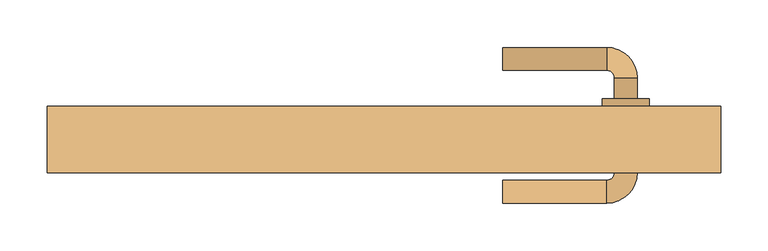
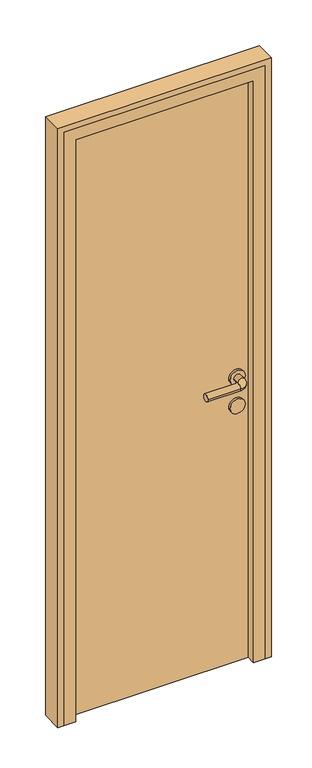
"""IFC4 building model written with IfcOpenShell, lengths in millimetres: door geometry."""

from ifc_helpers import new_model, si_unit, point, frame, frame_2d, origin, origin_with_axes, place, context, project, spatial, polyline, circle_curve, ellipse_curve, trimmed, segment, composite_curve, outline, extrude, faceted_brep, source, transform, mapped, element, save
from ifc_brep_helpers import plane_surface, cylinder_surface, revolved_surface, advanced_brep


def door_0601fba5(model_context):
    return source(origin(), model_context, "Body", "SolidModel", [
        advanced_brep(
        [(125.0, 367.0, 1000.0), (125.0, 343.0, 1000.0), (235.0, 343.0, 1000.0), (235.0, 367.0, 1000.0), (243.0, 335.0, 1000.0), (267.0, 335.0, 1000.0), (267.0, 235.0, 1000.0), (267.0, 257.0, 1000.0), (243.0, 257.0, 1000.0), (243.0, 235.0, 1000.0), (243.0, 313.0, 1000.0), (267.0, 313.0, 1000.0), (235.0, 227.0, 1000.0), (235.0, 203.0, 1000.0), (125.0, 203.0, 1000.0), (125.0, 227.0, 1000.0), (230.0, 257.0, 1000.0), (280.0, 257.0, 1000.0), (230.0, 313.0, 1000.0), (280.0, 313.0, 1000.0)],
        [
            (0, 1, circle_curve(frame((125.0, 355.0, 1000.0), z_axis=(-1.0, 0.0, 0.0), x_axis=(0.0, -1.0, 0.0)), 12.0)),
            (1, 0, circle_curve(frame((125.0, 355.0, 1000.0), z_axis=(-1.0, 0.0, 0.0), x_axis=(0.0, -1.0, 0.0)), 12.0)),
            (1, 2),
            (2, 3, circle_curve(frame((235.0, 355.0, 1000.0), z_axis=(-1.0, 0.0, 0.0), x_axis=(0.0, -1.0, 0.0)), 12.0)),
            (3, 0),
            (3, 2, circle_curve(frame((235.0, 355.0, 1000.0), z_axis=(-1.0, 0.0, 0.0), x_axis=(0.0, -1.0, 0.0)), 12.0)),
            (2, 4, circle_curve(frame((235.0, 335.0, 1000.0), z_axis=(0.0, 0.0, -1.0), x_axis=(0.0, 1.0, 0.0)), 8.0)),
            (4, 5, circle_curve(frame((255.0, 335.0, 1000.0), z_axis=(0.0, 1.0, 0.0), x_axis=(-1.0, 0.0, 0.0)), 12.0)),
            (5, 3, circle_curve(frame((235.0, 335.0, 1000.0), z_axis=(0.0, 0.0, 1.0), x_axis=(0.0, 1.0, 0.0)), 32.0)),
            (5, 4, circle_curve(frame((255.0, 335.0, 1000.0), z_axis=(0.0, 1.0, 0.0), x_axis=(-1.0, 0.0, 0.0)), 12.0)),
            (6, 7),
            (7, 8, circle_curve(frame((255.0, 257.0, 1000.0), z_axis=(0.0, -1.0, 0.0), x_axis=(-1.0, 0.0, 0.0)), 12.0)),
            (8, 9),
            (9, 6, circle_curve(frame((255.0, 235.0, 1000.0), z_axis=(0.0, 1.0, 0.0), x_axis=(-1.0, 0.0, 0.0)), 12.0)),
            (4, 10),
            (10, 11, circle_curve(frame((255.0, 313.0, 1000.0), z_axis=(0.0, 1.0, 0.0), x_axis=(-1.0, 0.0, 0.0)), 12.0)),
            (11, 5),
            (11, 10, circle_curve(frame((255.0, 313.0, 1000.0), z_axis=(0.0, 1.0, 0.0), x_axis=(-1.0, 0.0, 0.0)), 12.0)),
            (8, 7, circle_curve(frame((255.0, 257.0, 1000.0), z_axis=(0.0, -1.0, 0.0), x_axis=(-1.0, 0.0, 0.0)), 12.0)),
            (6, 9, circle_curve(frame((255.0, 235.0, 1000.0), z_axis=(0.0, 1.0, 0.0), x_axis=(-1.0, 0.0, 0.0)), 12.0)),
            (9, 12, circle_curve(frame((235.0, 235.0, 1000.0), z_axis=(0.0, 0.0, -1.0), x_axis=(1.0, 0.0, 0.0)), 8.0)),
            (12, 13, circle_curve(frame((235.0, 215.0, 1000.0), z_axis=(1.0, 0.0, 0.0), x_axis=(0.0, 1.0, 0.0)), 12.0)),
            (13, 6, circle_curve(frame((235.0, 235.0, 1000.0), z_axis=(0.0, 0.0, 1.0), x_axis=(1.0, 0.0, 0.0)), 32.0)),
            (13, 12, circle_curve(frame((235.0, 215.0, 1000.0), z_axis=(1.0, 0.0, 0.0), x_axis=(0.0, 1.0, 0.0)), 12.0)),
            (14, 15, circle_curve(frame((125.0, 215.0, 1000.0), z_axis=(-1.0, 0.0, 0.0), x_axis=(0.0, 1.0, 0.0)), 12.0)),
            (15, 14, circle_curve(frame((125.0, 215.0, 1000.0), z_axis=(-1.0, 0.0, 0.0), x_axis=(0.0, 1.0, 0.0)), 12.0)),
            (12, 15),
            (14, 13),
            (16, 17, circle_curve(frame((255.0, 257.0, 1000.0), z_axis=(0.0, -1.0, 0.0), x_axis=(1.0, 0.0, 0.0)), 25.0)),
            (17, 16, circle_curve(frame((255.0, 257.0, 1000.0), z_axis=(0.0, -1.0, 0.0), x_axis=(1.0, 0.0, 0.0)), 25.0)),
            (18, 19, circle_curve(frame((255.0, 313.0, 1000.0), z_axis=(0.0, 1.0, 0.0), x_axis=(1.0, 0.0, 0.0)), 25.0)),
            (19, 18, circle_curve(frame((255.0, 313.0, 1000.0), z_axis=(0.0, 1.0, 0.0), x_axis=(1.0, 0.0, 0.0)), 25.0)),
            (17, 19),
            (18, 16),
        ],
        [
            plane_surface(frame((125.0, 355.0, 1000.0), z_axis=(-1.0, 0.0, 0.0), x_axis=(0.0, 0.0, 1.0))),
            cylinder_surface(frame((125.0, 355.0, 1000.0), z_axis=(-1.0, 0.0, 0.0), x_axis=(0.0, -1.0, 0.0)), 12.0),
            revolved_surface(trimmed(ellipse_curve(frame((235.0, 355.0, 1000.0), z_axis=(1.0, 0.0, 0.0), x_axis=(0.0, -1.0, 0.0)), 12.0, 12.0), [point((235.0, 367.0, 1000.0))], [point((235.0, 343.0, 1000.0))], True, "CARTESIAN"), (235.0, 335.0, 1000.0), (0.0, 0.0, 1.0)),
            revolved_surface(trimmed(ellipse_curve(frame((235.0, 355.0, 1000.0), z_axis=(1.0, 0.0, 0.0), x_axis=(0.0, -1.0, 0.0)), 12.0, 12.0), [point((235.0, 343.0, 1000.0))], [point((235.0, 367.0, 1000.0))], True, "CARTESIAN"), (235.0, 335.0, 1000.0), (0.0, 0.0, 1.0)),
            cylinder_surface(frame((255.0, 335.0, 1000.0), z_axis=(0.0, 1.0, 0.0), x_axis=(-1.0, 0.0, 0.0)), 12.0),
            revolved_surface(trimmed(ellipse_curve(frame((255.0, 235.0, 1000.0), z_axis=(0.0, -1.0, 0.0), x_axis=(-1.0, 0.0, 0.0)), 12.0, 12.0), [point((267.0, 235.0, 1000.0))], [point((243.0, 235.0, 1000.0))], True, "CARTESIAN"), (235.0, 235.0, 1000.0), (0.0, 0.0, 1.0)),
            revolved_surface(trimmed(ellipse_curve(frame((255.0, 235.0, 1000.0), z_axis=(0.0, -1.0, 0.0), x_axis=(-1.0, 0.0, 0.0)), 12.0, 12.0), [point((243.0, 235.0, 1000.0))], [point((267.0, 235.0, 1000.0))], True, "CARTESIAN"), (235.0, 235.0, 1000.0), (0.0, 0.0, 1.0)),
            plane_surface(frame((125.0, 215.0, 1000.0), z_axis=(-1.0, 0.0, 0.0), x_axis=(0.0, 0.0, 1.0))),
            cylinder_surface(frame((235.0, 215.0, 1000.0), z_axis=(1.0, 0.0, 0.0), x_axis=(0.0, 1.0, 0.0)), 12.0),
            plane_surface(frame((280.0, 257.0, 1000.0), z_axis=(0.0, -1.0, 0.0), x_axis=(0.0, 0.0, -1.0))),
            plane_surface(frame((280.0, 313.0, 1000.0), z_axis=(0.0, 1.0, 0.0), x_axis=(0.0, 0.0, 1.0))),
            cylinder_surface(frame((255.0, 257.0, 1000.0), z_axis=(0.0, 1.0, 0.0), x_axis=(1.0, 0.0, 0.0)), 25.0),
        ],
        [
            (0, [[1, 2]]),
            (1, [[3, 4, 5, -2]]),
            (1, [[-5, 6, -3, -1]]),
            (2, [[7, 8, 9, -4]]),
            (3, [[-9, 10, -7, -6]]),
            (4, [[11, 12, 13, 14]]),
            (4, [[15, 16, 17, -8]]),
            (4, [[-17, 18, -15, -10]]),
            (4, [[-13, 19, -11, 20]]),
            (5, [[21, 22, 23, -14]]),
            (6, [[-23, 24, -21, -20]]),
            (7, [[25, 26]]),
            (8, [[27, -25, 28, -22]]),
            (8, [[-28, -26, -27, -24]]),
            (9, [[29, 30], [-19, -12]]),
            (10, [[31, 32], [-18, -16]]),
            (11, [[33, -31, 34, -30]]),
            (11, [[-34, -32, -33, -29]]),
        ],
    ),
        extrude(outline(composite_curve([segment(trimmed(circle_curve(frame_2d((900.0, 255.0)), 25.0), [point((900.0, 230.0))], [point((900.0, 280.0))], False, "CARTESIAN"), True, "CONTINUOUS"), segment(trimmed(circle_curve(frame_2d((900.0, 255.0)), 25.0), [point((900.0, 280.0))], [point((900.0, 230.0))], False, "CARTESIAN"), True, "CONTINUOUS")], self_intersect=False)), frame((0.0, 257.0, 0.0), z_axis=(0.0, 1.0, 0.0), x_axis=(0.0, 0.0, 1.0)), (0.0, 0.0, 1.0), 56.0),
        extrude(outline(polyline([(305.0, 265.0), (-305.0, 265.0), (-305.0, 305.0), (305.0, 305.0), (305.0, 265.0)])), origin_with_axes(), (0.0, 0.0, 1.0), 2050.0),
        extrude(outline(polyline([(0.0, 355.0), (2100.0, 355.0), (2100.0, -355.0), (0.0, -355.0), (0.0, -335.0), (2080.0, -335.0), (2080.0, 335.0), (0.0, 335.0), (0.0, 355.0)])), frame((0.0, 235.0, 0.0), z_axis=(0.0, 1.0, 0.0), x_axis=(0.0, 0.0, 1.0)), (0.0, 0.0, 1.0), 70.0),
        faceted_brep([(-335.0, 235.0, 0.0), (-335.0, 305.0, 0.0), (-305.0, 305.0, 0.0), (-305.0, 265.0, 0.0), (-295.0, 265.0, 0.0), (-295.0, 235.0, 0.0), (-335.0, 235.0, 2080.0), (-335.0, 305.0, 2080.0), (335.0, 305.0, 2080.0), (335.0, 305.0, 0.0), (305.0, 305.0, 0.0), (305.0, 305.0, 2050.0), (-305.0, 305.0, 2050.0), (-305.0, 265.0, 2050.0), (305.0, 265.0, 2050.0), (305.0, 265.0, 0.0), (295.0, 265.0, 0.0), (295.0, 265.0, 2040.0), (-295.0, 265.0, 2040.0), (-295.0, 235.0, 2040.0), (295.0, 235.0, 2040.0), (295.0, 235.0, 0.0), (335.0, 235.0, 0.0), (335.0, 235.0, 2080.0)], [[[0, 1, 2, 3, 4, 5]], [[1, 0, 6, 7]], [[2, 1, 7, 8, 9, 10, 11, 12]], [[3, 2, 12, 13]], [[4, 3, 13, 14, 15, 16, 17, 18]], [[5, 4, 18, 19]], [[0, 5, 19, 20, 21, 22, 23, 6]], [[7, 6, 23, 8]], [[13, 12, 11, 14]], [[19, 18, 17, 20]], [[22, 21, 16, 15, 10, 9]], [[8, 23, 22, 9]], [[14, 11, 10, 15]], [[20, 17, 16, 21]]]),
    ])


if __name__ == "__main__":
    model = new_model("IFC4")
    model_context = context("Model", 3, world=origin())
    ifc_project = project(units=[si_unit("LENGTHUNIT", "METRE", prefix="MILLI")], contexts=[model_context])
    site = spatial("IfcSite", under=ifc_project)
    building = spatial("IfcBuilding", under=site)
    placement = place(None, origin())
    door_shape = door_0601fba5(model_context)
    element("IfcDoor", 1, at=placement, inside=building, context=model_context, shape_type="MappedRepresentation", body=[
        mapped(door_shape, transform((0.0, 0.0, 0.0), x_axis=(1.0, 0.0, 0.0), y_axis=(0.0, 1.0, 0.0), z_axis=(0.0, 0.0, 1.0))),
    ])
    save(model, "model.ifc")
